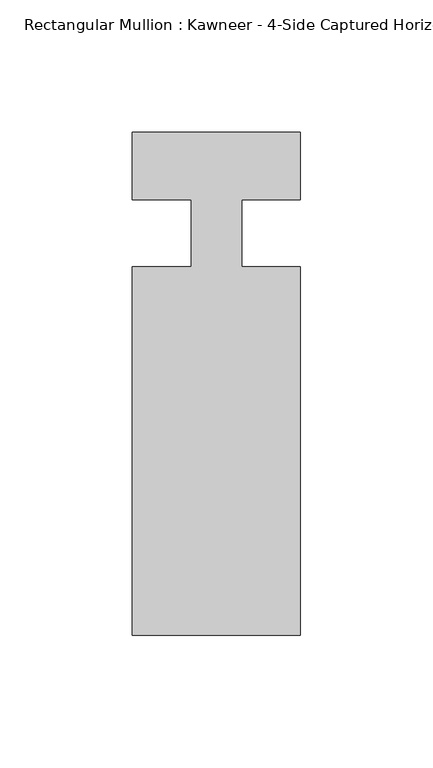
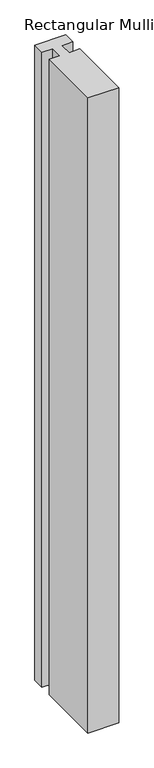
"""IFC4 building model written with IfcOpenShell, lengths in millimetres: member geometry."""

from ifc_helpers import new_model, si_unit, frame, origin, place, context, project, spatial, polyline, outline, extrude, source, transform, mapped, element, save


def member_4eefb597(model_context):
    return source(origin(), model_context, "Body", "SweptSolid", [
        extrude(outline(polyline([(-9.525, 12.7), (-31.75, 12.7), (-31.75, 38.1), (31.75, 38.1), (31.75, 12.7), (9.5251132, 12.7), (9.5251132, -12.7), (31.75, -12.7), (31.75, -151.892), (-31.75, -151.892), (-31.75, -12.7), (-9.525, -12.7), (-9.525, 12.7)])), frame((0.0, 0.0, -1389.6516552), z_axis=(0.0, 0.0, 1.0), x_axis=(1.0, 0.0, 0.0)), (0.0, 0.0, 1.0), 1389.6516552),
    ])


if __name__ == "__main__":
    model = new_model("IFC4")
    model_context = context("Model", 3, world=origin())
    ifc_project = project(units=[si_unit("LENGTHUNIT", "METRE", prefix="MILLI")], contexts=[model_context])
    site = spatial("IfcSite", under=ifc_project)
    building = spatial("IfcBuilding", under=site)
    placement = place(None, origin())
    member_shape = member_4eefb597(model_context)
    element("IfcMember", 1, ObjectType="Rectangular Mullion : Kawneer - 4-Side Captured Horizontal Mullion - 7 1/2\"", at=placement, inside=building, context=model_context, shape_type="MappedRepresentation", body=[
        mapped(member_shape, transform((0.0, 0.0, 0.0), x_axis=(1.0, 0.0, 0.0), y_axis=(0.0, 1.0, 0.0), z_axis=(0.0, 0.0, 1.0))),
    ])
    save(model, "model.ifc")
